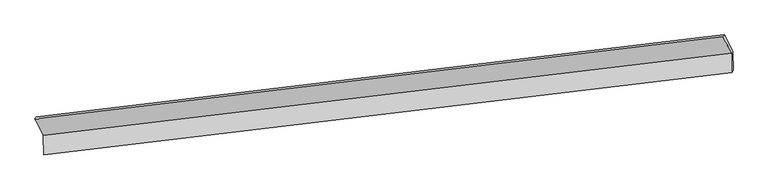
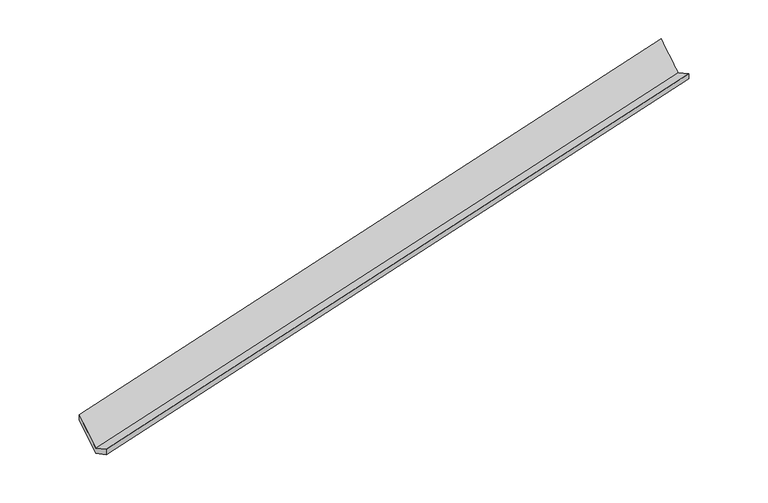
"""IFC4 building model written with IfcOpenShell, lengths in millimetres: proxy geometry."""

from ifc_helpers import new_model, si_unit, frame, origin, place, context, project, spatial, source, transform, mapped, element, save
from ifc_brep_helpers import plane_surface, spline_surface, advanced_brep


def generic_models_ca8b5117(model_context):
    return source(origin(), model_context, "Body", "AdvancedBrep", [
        advanced_brep(
        [(-9770.4919902, -2342.6964192, 253.5553528), (-9766.6012221, -2737.9781036, 461.4229653), (4138.8457871, -1069.407309, 3400.8560788), (4134.955019, -674.1256246, 3192.9884662), (-9738.0421832, -2683.3415715, 292.4309104), (4165.9970057, -1027.8732528, 3249.9464924), (-9741.8463747, -2296.8556167, 89.1887267), (4162.1056988, -632.5368337, 3042.0500964), (-9914.9767459, -1960.9549815, 731.1789693), (3986.6636516, -301.7039723, 3674.4467137), (-9943.6007445, -2006.8377242, 895.4654372), (3954.7609362, -334.3318012, 3842.5142226)],
        [
            (0, 1),
            (1, 2),
            (2, 3),
            (3, 0),
            (1, 4),
            (4, 5),
            (5, 2),
            (4, 6),
            (6, 7),
            (7, 5),
            (6, 8),
            (8, 9),
            (9, 7),
            (8, 10),
            (10, 11),
            (11, 9),
            (10, 0),
            (3, 11),
        ],
        [
            plane_surface(frame((-9768.5466061, -2540.3372614, 357.4891591), z_axis=(-0.236061768396307, 0.45046347006129556, 0.8610211981373889), x_axis=(0.008711535571583712, -0.8850464313378843, 0.4654212323520068))),
            spline_surface(1, 1, [[(-9766.6012221, -2737.9781036, 461.4229653), (4138.8457871, -1069.407309, 3400.8560788)], [(-9738.0421832, -2683.3415715, 292.4309104), (4165.9970057, -1027.8732528, 3249.9464924)]], [2, 2], [2, 2], [0.0, 1.0], [0.0, 1.0]),
            plane_surface(frame((-9739.944279, -2490.0985941, 190.8098185), z_axis=(0.23674066002312638, -0.4503813515991082, -0.8608777485935938), x_axis=(-0.008711535571536807, 0.8850464313378402, -0.46542123235209143))),
            spline_surface(1, 1, [[(-9741.8463747, -2296.8556167, 89.1887267), (4162.1056988, -632.5368337, 3042.0500964)], [(-9914.9767459, -1960.9549815, 731.1789693), (3986.6636516, -301.7039723, 3674.4467137)]], [2, 2], [2, 2], [0.0, 1.0], [0.0, 1.0]),
            spline_surface(1, 1, [[(-9914.9767459, -1960.9549815, 731.1789693), (3986.6636516, -301.7039723, 3674.4467137)], [(-9943.6007445, -2006.8377242, 895.4654372), (3954.7609362, -334.3318012, 3842.5142226)]], [2, 2], [2, 2], [0.0, 1.0], [0.0, 1.0]),
            spline_surface(1, 1, [[(-9943.6007445, -2006.8377242, 895.4654372), (3954.7609362, -334.3318012, 3842.5142226)], [(-9770.4919902, -2342.6964192, 253.5553528), (4134.955019, -674.1256246, 3192.9884662)]], [2, 2], [2, 2], [0.0, 1.0], [0.0, 1.0]),
            plane_surface(frame((4090.5546831, -673.3297989, 3400.4670117), z_axis=(0.9710513428534167, 0.11859752997804329, 0.20734974180278937), x_axis=(-0.18318852888512094, -0.1873522016616071, 0.9650601615533893))),
            plane_surface(frame((-9812.5932101, -2338.1107361, 453.8737269), z_axis=(-0.9725802180020247, -0.11567344823771171, -0.20176068230438718), x_axis=(-0.2324044506869965, 0.45090183826286256, 0.8617863444915143))),
        ],
        [
            (0, [[1, 2, 3, 4]]),
            (1, [[5, 6, 7, -2]]),
            (2, [[8, 9, 10, -6]]),
            (3, [[11, 12, 13, -9]]),
            (4, [[14, 15, 16, -12]]),
            (5, [[17, -4, 18, -15]]),
            (6, [[-16, -18, -3, -7, -10, -13]]),
            (7, [[-17, -14, -11, -8, -5, -1]]),
        ],
    ),
    ])


if __name__ == "__main__":
    model = new_model("IFC4")
    model_context = context("Model", 3, world=origin())
    ifc_project = project(units=[si_unit("LENGTHUNIT", "METRE", prefix="MILLI")], contexts=[model_context])
    site = spatial("IfcSite", under=ifc_project)
    building = spatial("IfcBuilding", under=site)
    placement = place(None, origin())
    generic_models_shape = generic_models_ca8b5117(model_context)
    element("IfcBuildingElementProxy", 1, Name="Generic Models", at=placement, inside=building, context=model_context, shape_type="MappedRepresentation", body=[
        mapped(generic_models_shape, transform((0.0, 0.0, 0.0), x_axis=(1.0, 0.0, 0.0), y_axis=(0.0, 1.0, 0.0), z_axis=(0.0, 0.0, 1.0))),
    ])
    save(model, "model.ifc")
